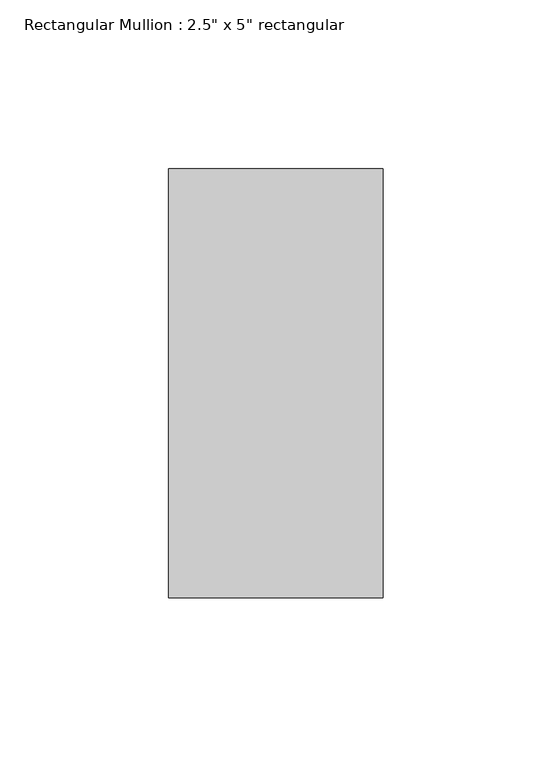
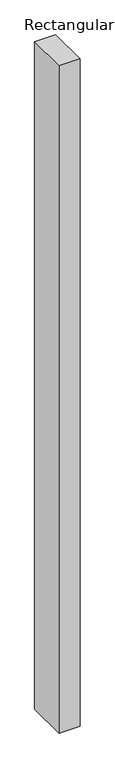
"""IFC4 building model written with IfcOpenShell, lengths in millimetres: member geometry."""

from ifc_helpers import new_model, si_unit, frame, origin, place, context, project, spatial, polyline, outline, extrude, source, transform, mapped, element, save


def member_7cbddb58(model_context):
    return source(origin(), model_context, "Body", "SweptSolid", [
        extrude(outline(polyline([(31.75, 63.5), (31.75, -63.5), (-31.75, -63.5), (-31.75, 63.5), (31.75, 63.5)])), frame((0.0, 0.0, -2133.6), z_axis=(0.0, 0.0, 1.0), x_axis=(1.0, 0.0, 0.0)), (0.0, 0.0, 1.0), 2133.6),
    ])


if __name__ == "__main__":
    model = new_model("IFC4")
    model_context = context("Model", 3, world=origin())
    ifc_project = project(units=[si_unit("LENGTHUNIT", "METRE", prefix="MILLI")], contexts=[model_context])
    site = spatial("IfcSite", under=ifc_project)
    building = spatial("IfcBuilding", under=site)
    placement = place(None, origin())
    member_shape = member_7cbddb58(model_context)
    element("IfcMember", 1, ObjectType="Rectangular Mullion : 2.5\" x 5\" rectangular", at=placement, inside=building, context=model_context, shape_type="MappedRepresentation", body=[
        mapped(member_shape, transform((0.0, 0.0, 0.0), x_axis=(1.0, 0.0, 0.0), y_axis=(0.0, 1.0, 0.0), z_axis=(0.0, 0.0, 1.0))),
    ])
    save(model, "model.ifc")
